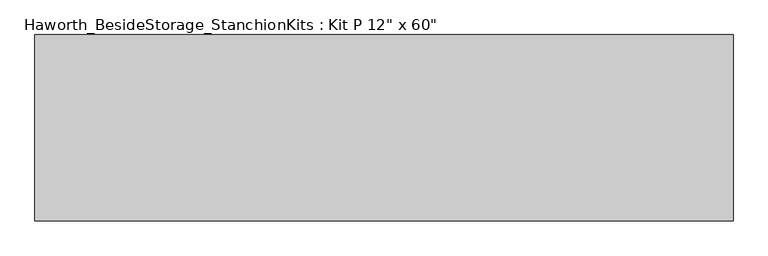
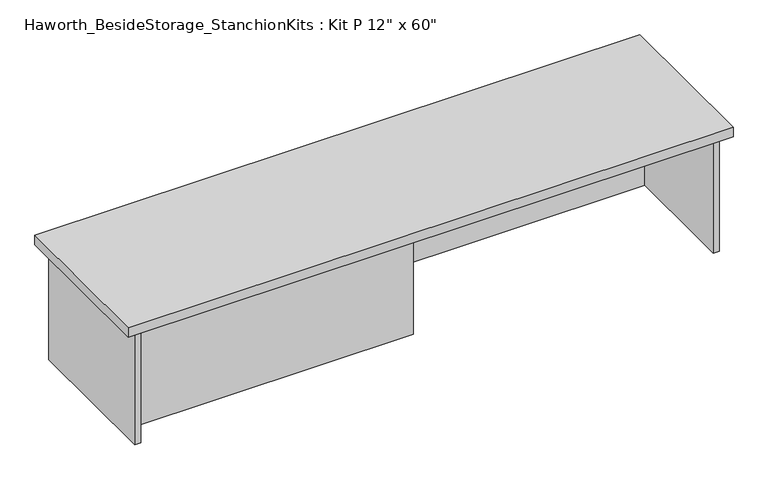
"""IFC4 building model written with IfcOpenShell, lengths in millimetres: furniture geometry."""

from ifc_helpers import new_model, si_unit, frame, origin, place, context, project, spatial, polyline, outline, extrude, source, transform, mapped, element, save


def furniture_c2f9c271(model_context):
    return source(origin(), model_context, "Body", "SweptSolid", [
        extrude(outline(polyline([(923.925, 0.0), (923.925, -406.4), (-600.075, -406.4), (-600.075, 0.0), (923.925, 0.0)])), frame((0.0, 0.0, 736.6), z_axis=(0.0, 0.0, 1.0), x_axis=(1.0, 0.0, 0.0)), (0.0, 0.0, 1.0), 25.4),
        extrude(outline(polyline([(161.925, -76.2), (882.65, -76.2), (882.65, -92.075), (161.925, -92.075), (161.925, -76.2)])), frame((0.0, 0.0, 431.8), z_axis=(0.0, 0.0, 1.0), x_axis=(1.0, 0.0, 0.0)), (0.0, 0.0, 1.0), 304.8),
        extrude(outline(polyline([(161.925, -314.325), (161.925, -330.2), (-558.8, -330.2), (-558.8, -314.325), (161.925, -314.325)])), frame((0.0, 0.0, 431.8), z_axis=(0.0, 0.0, 1.0), x_axis=(1.0, 0.0, 0.0)), (0.0, 0.0, 1.0), 304.8),
        extrude(outline(polyline([(898.525, -390.525), (882.65, -390.525), (882.65, -15.875), (898.525, -15.875), (898.525, -390.525)])), frame((0.0, 0.0, 431.8), z_axis=(0.0, 0.0, 1.0), x_axis=(1.0, 0.0, 0.0)), (0.0, 0.0, 1.0), 304.8),
        extrude(outline(polyline([(-558.8, -390.525), (-574.675, -390.525), (-574.675, -15.875), (-558.8, -15.875), (-558.8, -390.525)])), frame((0.0, 0.0, 431.8), z_axis=(0.0, 0.0, 1.0), x_axis=(1.0, 0.0, 0.0)), (0.0, 0.0, 1.0), 304.8),
    ])


if __name__ == "__main__":
    model = new_model("IFC4")
    model_context = context("Model", 3, world=origin())
    ifc_project = project(units=[si_unit("LENGTHUNIT", "METRE", prefix="MILLI")], contexts=[model_context])
    site = spatial("IfcSite", under=ifc_project)
    building = spatial("IfcBuilding", under=site)
    placement = place(None, origin())
    furniture_shape = furniture_c2f9c271(model_context)
    element("IfcFurniture", 1, ObjectType="Haworth_BesideStorage_StanchionKits : Kit P 12\" x 60\"", at=placement, inside=building, context=model_context, shape_type="MappedRepresentation", body=[
        mapped(furniture_shape, transform((0.0, 0.0, 0.0), x_axis=(1.0, 0.0, 0.0), y_axis=(0.0, 1.0, 0.0), z_axis=(0.0, 0.0, 1.0))),
    ])
    save(model, "model.ifc")
